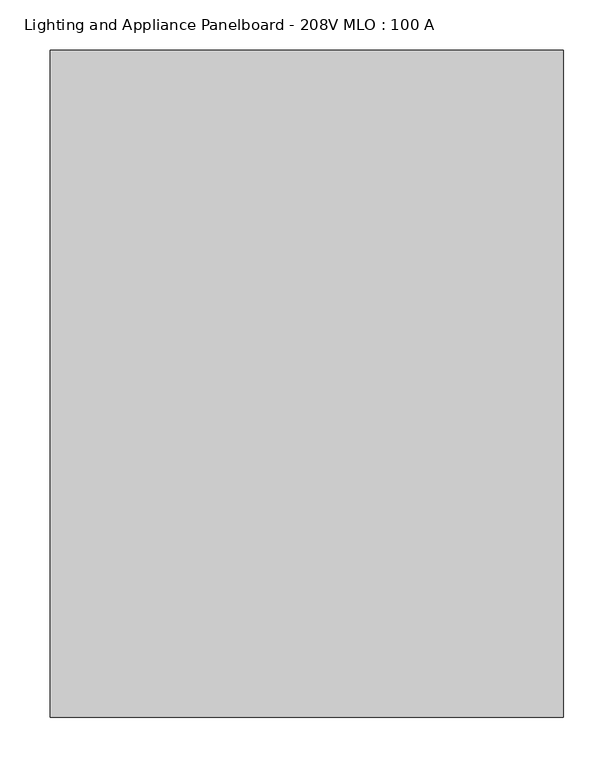
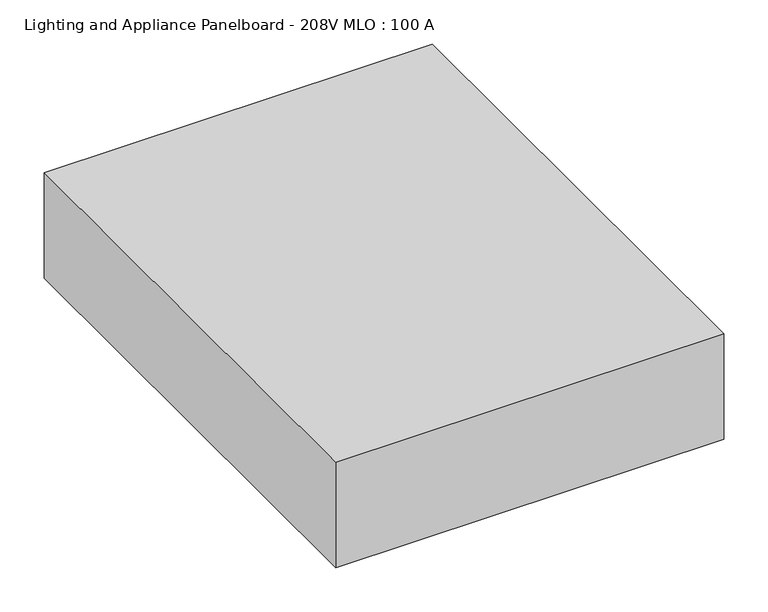
"""IFC4 building model written with IfcOpenShell, lengths in millimetres: proxy geometry, Lighting and Appliance Panelboard - 208V MLO : 100 A."""

from ifc_helpers import new_model, si_unit, frame, origin, place, context, project, spatial, polyline, outline, extrude, source, transform, mapped, element, save


def lighting_and_appliance_panelboard_208v_mlo_100_a_9df95e3e(model_context):
    return source(origin(), model_context, "Body", "SweptSolid", [
        extrude(outline(polyline([(254.0, 330.2), (254.0, -330.2), (-254.0, -330.2), (-254.0, 330.2), (254.0, 330.2)])), frame((0.0, 0.0, -146.05), z_axis=(0.0, 0.0, 1.0), x_axis=(1.0, 0.0, 0.0)), (0.0, 0.0, 1.0), 146.05),
    ])


if __name__ == "__main__":
    model = new_model("IFC4")
    model_context = context("Model", 3, world=origin())
    ifc_project = project(units=[si_unit("LENGTHUNIT", "METRE", prefix="MILLI")], contexts=[model_context])
    site = spatial("IfcSite", under=ifc_project)
    building = spatial("IfcBuilding", under=site)
    placement = place(None, origin())
    lighting_and_appliance_panelboard_208v_mlo_100_a_shape = lighting_and_appliance_panelboard_208v_mlo_100_a_9df95e3e(model_context)
    element("IfcBuildingElementProxy", 1, Name="Lighting and Appliance Panelboard - 208V MLO : 100 A", ObjectType="Lighting and Appliance Panelboard - 208V MLO : 100 A", at=placement, inside=building, context=model_context, shape_type="MappedRepresentation", body=[
        mapped(lighting_and_appliance_panelboard_208v_mlo_100_a_shape, transform((0.0, 0.0, 0.0), x_axis=(1.0, 0.0, 0.0), y_axis=(0.0, 1.0, 0.0), z_axis=(0.0, 0.0, 1.0))),
    ])
    save(model, "model.ifc")
